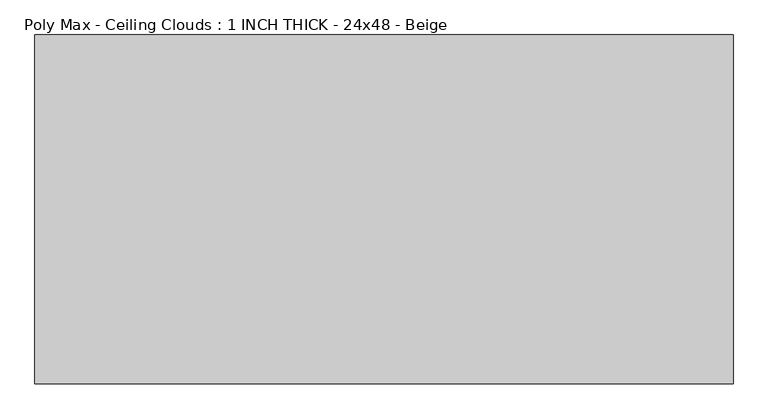
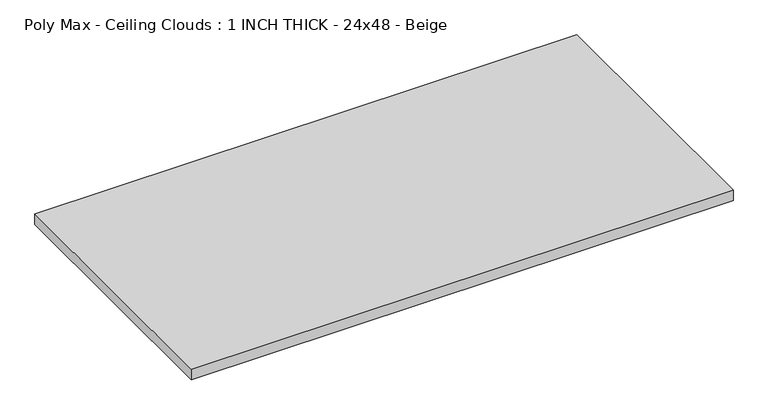
"""IFC4 building model written with IfcOpenShell, lengths in millimetres: proxy geometry, Poly Max - Ceiling Clouds : 1 INCH THICK - 24x48 - Beige."""

from ifc_helpers import new_model, si_unit, origin, origin_with_axes, place, context, project, spatial, polyline, outline, extrude, source, transform, mapped, element, save


def poly_max_ceiling_clouds_1_inch_thick_24x48_beige_82ed4230(model_context):
    return source(origin(), model_context, "Body", "SweptSolid", [
        extrude(outline(polyline([(-609.6, 304.8), (609.6, 304.8), (609.6, -304.8), (-609.6, -304.8), (-609.6, 304.8)])), origin_with_axes(), (0.0, 0.0, 1.0), 25.4),
    ])


if __name__ == "__main__":
    model = new_model("IFC4")
    model_context = context("Model", 3, world=origin())
    ifc_project = project(units=[si_unit("LENGTHUNIT", "METRE", prefix="MILLI")], contexts=[model_context])
    site = spatial("IfcSite", under=ifc_project)
    building = spatial("IfcBuilding", under=site)
    placement = place(None, origin())
    poly_max_ceiling_clouds_1_inch_thick_24x48_beige_shape = poly_max_ceiling_clouds_1_inch_thick_24x48_beige_82ed4230(model_context)
    element("IfcBuildingElementProxy", 1, Name="Poly Max - Ceiling Clouds : 1 INCH THICK - 24x48 - Beige", ObjectType="Poly Max - Ceiling Clouds : 1 INCH THICK - 24x48 - Beige", at=placement, inside=building, context=model_context, shape_type="MappedRepresentation", body=[
        mapped(poly_max_ceiling_clouds_1_inch_thick_24x48_beige_shape, transform((0.0, 0.0, 0.0), x_axis=(1.0, 0.0, 0.0), y_axis=(0.0, 1.0, 0.0), z_axis=(0.0, 0.0, 1.0))),
    ])
    save(model, "model.ifc")
